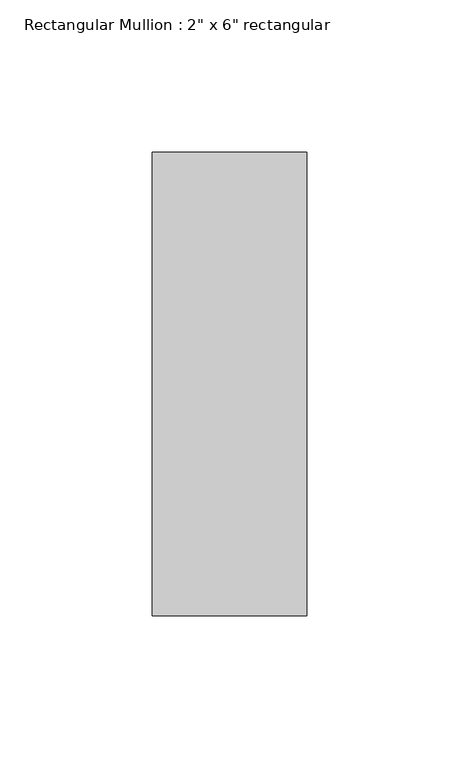
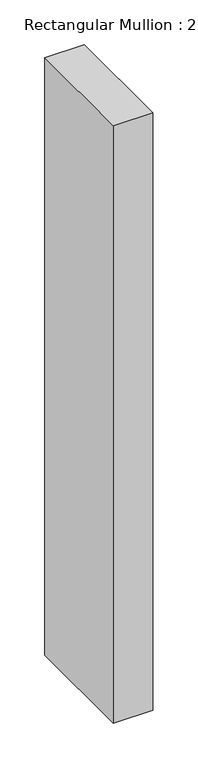
"""IFC4 building model written with IfcOpenShell, lengths in millimetres: member geometry."""

from ifc_helpers import new_model, si_unit, frame, origin, place, context, project, spatial, polyline, outline, extrude, source, transform, mapped, element, save


def member_4819c2f2(model_context):
    return source(origin(), model_context, "Body", "SweptSolid", [
        extrude(outline(polyline([(25.4, 76.2), (25.4, -76.2), (-25.4, -76.2), (-25.4, 76.2), (25.4, 76.2)])), frame((0.0, 0.0, -812.8), z_axis=(0.0, 0.0, 1.0), x_axis=(1.0, 0.0, 0.0)), (0.0, 0.0, 1.0), 812.8),
    ])


if __name__ == "__main__":
    model = new_model("IFC4")
    model_context = context("Model", 3, world=origin())
    ifc_project = project(units=[si_unit("LENGTHUNIT", "METRE", prefix="MILLI")], contexts=[model_context])
    site = spatial("IfcSite", under=ifc_project)
    building = spatial("IfcBuilding", under=site)
    placement = place(None, origin())
    member_shape = member_4819c2f2(model_context)
    element("IfcMember", 1, ObjectType="Rectangular Mullion : 2\" x 6\" rectangular", at=placement, inside=building, context=model_context, shape_type="MappedRepresentation", body=[
        mapped(member_shape, transform((0.0, 0.0, 0.0), x_axis=(1.0, 0.0, 0.0), y_axis=(0.0, 1.0, 0.0), z_axis=(0.0, 0.0, 1.0))),
    ])
    save(model, "model.ifc")
